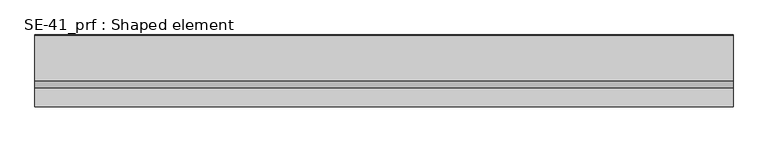
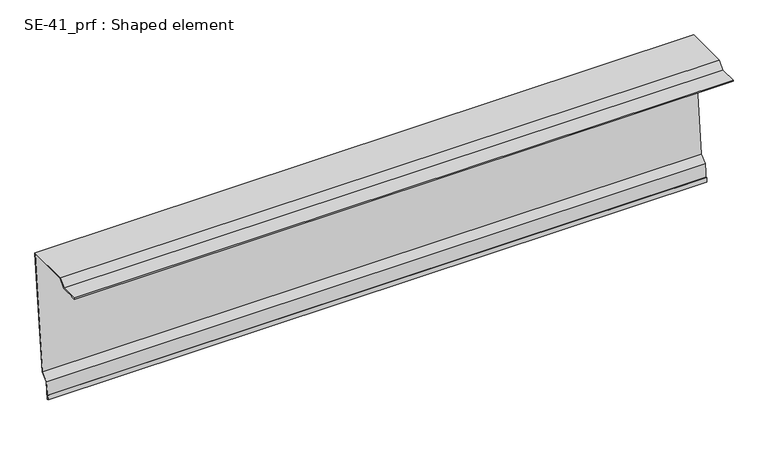
"""IFC4 building model written with IfcOpenShell, lengths in millimetres: proxy geometry, SE-41_prf : Shaped element."""

from ifc_helpers import new_model, si_unit, origin, place, context, project, spatial, faceted_brep, source, transform, mapped, element, save


def se_41_prf_shaped_element_9e1ab23a(model_context):
    return source(origin(), model_context, "Body", "Brep", [
        faceted_brep([(0.0, -26.6670969, -303.1473616), (0.0, -22.4859584, -263.3664858), (1500.0, -22.4859584, -263.3664858), (1500.0, -26.6670969, -303.1473616), (0.0, -6.1658932, -250.1507576), (1500.0, -6.1658932, -250.1507576), (0.0, 20.1260109, 0.0), (0.0, 22.2122503, 19.8492424), (1500.0, 22.2122503, 19.8492424), (1500.0, 20.1260109, 0.0), (0.0, 19.1205026, 0.0), (0.0, 21.1016378, 18.8492424), (0.0, -77.3735361, 18.8492424), (0.0, -92.2227785, 4.0), (0.0, -131.6369921, 4.0), (0.0, -131.6369921, 3.0), (0.0, -122.6369921, 3.0), (0.0, -122.6369921, 2.0), (0.0, -132.6369921, 2.0), (0.0, -132.6369921, 5.0), (0.0, -92.6369921, 5.0), (0.0, -77.7877497, 19.8492424), (0.0, -29.6506626, -302.8337762), (0.0, -28.6145231, -292.9755667), (0.0, -27.6200012, -293.0800951), (0.0, -28.5516123, -301.9437828), (0.0, -27.5570904, -302.0483113), (0.0, -23.4371832, -262.8500129), (0.0, -7.117118, -249.6342847), (1500.0, 19.1205026, 0.0), (1500.0, -77.7877497, 19.8492424), (1500.0, -92.6369921, 5.0), (1500.0, -132.6369921, 5.0), (1500.0, -132.6369921, 2.0), (1500.0, -122.6369921, 2.0), (1500.0, -122.6369921, 3.0), (1500.0, -131.6369921, 3.0), (1500.0, -131.6369921, 4.0), (1500.0, -92.2227785, 4.0), (1500.0, -77.3735361, 18.8492424), (1500.0, 21.1016378, 18.8492424), (1500.0, -7.117118, -249.6342847), (1500.0, -23.4371832, -262.8500129), (1500.0, -27.5570904, -302.0483113), (1500.0, -28.5516123, -301.9437828), (1500.0, -27.6200012, -293.0800951), (1500.0, -28.6145231, -292.9755667), (1500.0, -29.6506626, -302.8337762)], [[[0, 1, 2, 3]], [[1, 4, 5, 2]], [[6, 7, 8, 9, 5, 4]], [[6, 10, 11, 12, 13, 14, 15, 16, 17, 18, 19, 20, 21, 7]], [[10, 6, 4, 1, 0, 22, 23, 24, 25, 26, 27, 28]], [[29, 9, 8, 30, 31, 32, 33, 34, 35, 36, 37, 38, 39, 40]], [[9, 29, 41, 42, 43, 44, 45, 46, 47, 3, 2, 5]], [[23, 22, 47, 46]], [[16, 15, 36, 35]], [[24, 23, 46, 45]], [[12, 11, 40, 39]], [[11, 10, 28, 41, 29, 40]], [[28, 27, 42, 41]], [[27, 26, 43, 42]], [[26, 25, 44, 43]], [[25, 24, 45, 44]], [[17, 16, 35, 34]], [[13, 12, 39, 38]], [[14, 13, 38, 37]], [[15, 14, 37, 36]], [[22, 0, 3, 47]], [[18, 17, 34, 33]], [[19, 18, 33, 32]], [[20, 19, 32, 31]], [[21, 20, 31, 30]], [[7, 21, 30, 8]]]),
    ])


if __name__ == "__main__":
    model = new_model("IFC4")
    model_context = context("Model", 3, world=origin())
    ifc_project = project(units=[si_unit("LENGTHUNIT", "METRE", prefix="MILLI")], contexts=[model_context])
    site = spatial("IfcSite", under=ifc_project)
    building = spatial("IfcBuilding", under=site)
    placement = place(None, origin())
    se_41_prf_shaped_element_shape = se_41_prf_shaped_element_9e1ab23a(model_context)
    element("IfcBuildingElementProxy", 1, Name="SE-41_prf : Shaped element", ObjectType="SE-41_prf : Shaped element", at=placement, inside=building, context=model_context, shape_type="MappedRepresentation", body=[
        mapped(se_41_prf_shaped_element_shape, transform((0.0, 0.0, 0.0), x_axis=(1.0, 0.0, 0.0), y_axis=(0.0, 1.0, 0.0), z_axis=(0.0, 0.0, 1.0))),
    ])
    save(model, "model.ifc")
